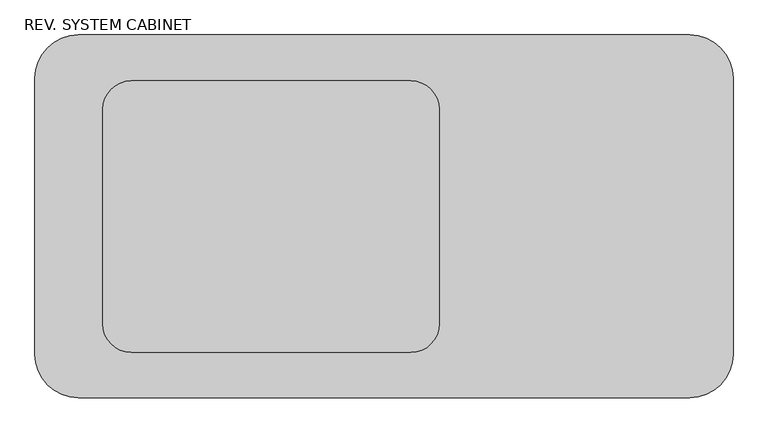
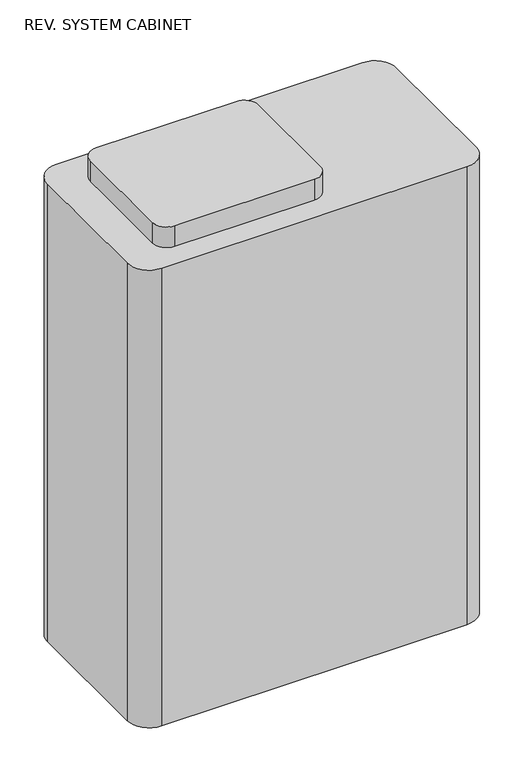
"""IFC4 building model written with IfcOpenShell, lengths in millimetres: proxy geometry, REV. SYSTEM CABINET."""

from ifc_helpers import new_model, si_unit, point, frame, frame_2d, origin, origin_with_axes, place, context, project, spatial, polyline, circle_curve, trimmed, segment, composite_curve, outline, extrude, source, transform, mapped, element, save


def rev_system_cabinet_103b6787(model_context):
    return source(origin(), model_context, "Body", "SweptSolid", [
        extrude(outline(composite_curve([segment(trimmed(circle_curve(frame_2d((823.3610022, -277.8882011)), 50.0), [point((823.3610022, -227.8882011))], [point((873.3610022, -277.8882011))], False, "CARTESIAN"), True, "CONTINUOUS"), segment(polyline([(873.3610022, -277.8882011), (873.3610022, -652.8882211)]), True, "CONTINUOUS"), segment(trimmed(circle_curve(frame_2d((823.3610022, -652.8882211)), 50.0), [point((873.3610022, -652.8882211))], [point((823.3610022, -702.8882211))], False, "CARTESIAN"), True, "CONTINUOUS"), segment(polyline([(823.3610022, -702.8882211), (334.5892322, -702.8882211)]), True, "CONTINUOUS"), segment(trimmed(circle_curve(frame_2d((334.5892322, -652.8882211)), 50.0), [point((334.5892322, -702.8882211))], [point((284.5892322, -652.8882211))], False, "CARTESIAN"), True, "CONTINUOUS"), segment(polyline([(284.5892322, -652.8882211), (284.5892322, -277.8882011)]), True, "CONTINUOUS"), segment(trimmed(circle_curve(frame_2d((334.5892322, -277.8882011)), 50.0), [point((284.5892322, -277.8882011))], [point((334.5892322, -227.8882011))], False, "CARTESIAN"), True, "CONTINUOUS"), segment(polyline([(334.5892322, -227.8882011), (823.3610022, -227.8882011)]), True, "CONTINUOUS")], self_intersect=False)), frame((0.0, 0.0, 1691.64), z_axis=(0.0, 0.0, 1.0), x_axis=(1.0, 0.0, 0.0)), (0.0, 0.0, 1.0), 76.2),
        extrude(outline(composite_curve([segment(polyline([(241.9803622, -147.4570561), (1311.3203622, -147.4570561)]), True, "CONTINUOUS"), segment(trimmed(circle_curve(frame_2d((1311.3203622, -223.6570561)), 76.2), [point((1311.3203622, -147.4570561))], [point((1387.5203622, -223.6570561))], False, "CARTESIAN"), True, "CONTINUOUS"), segment(polyline([(1387.5203622, -223.6570561), (1387.5203622, -706.2570561)]), True, "CONTINUOUS"), segment(trimmed(circle_curve(frame_2d((1311.3203622, -706.2570561)), 76.2), [point((1387.5203622, -706.2570561))], [point((1311.3203622, -782.4570561))], False, "CARTESIAN"), True, "CONTINUOUS"), segment(polyline([(1311.3203622, -782.4570561), (241.9803622, -782.4570561)]), True, "CONTINUOUS"), segment(trimmed(circle_curve(frame_2d((241.9803622, -706.2570561)), 76.2), [point((241.9803622, -782.4570561))], [point((165.7803622, -706.2570561))], False, "CARTESIAN"), True, "CONTINUOUS"), segment(polyline([(165.7803622, -706.2570561), (165.7803622, -223.6570561)]), True, "CONTINUOUS"), segment(trimmed(circle_curve(frame_2d((241.9803622, -223.6570561)), 76.2), [point((165.7803622, -223.6570561))], [point((241.9803622, -147.4570561))], False, "CARTESIAN"), True, "CONTINUOUS")], self_intersect=False)), origin_with_axes(), (0.0, 0.0, 1.0), 1691.64),
    ])


if __name__ == "__main__":
    model = new_model("IFC4")
    model_context = context("Model", 3, world=origin())
    ifc_project = project(units=[si_unit("LENGTHUNIT", "METRE", prefix="MILLI")], contexts=[model_context])
    site = spatial("IfcSite", under=ifc_project)
    building = spatial("IfcBuilding", under=site)
    placement = place(None, origin())
    rev_system_cabinet_shape = rev_system_cabinet_103b6787(model_context)
    element("IfcBuildingElementProxy", 1, Name="REV. SYSTEM CABINET", ObjectType="REV. SYSTEM CABINET", at=placement, inside=building, context=model_context, shape_type="MappedRepresentation", body=[
        mapped(rev_system_cabinet_shape, transform((0.0, 0.0, 0.0), x_axis=(1.0, 0.0, 0.0), y_axis=(0.0, 1.0, 0.0), z_axis=(0.0, 0.0, 1.0))),
    ])
    save(model, "model.ifc")
